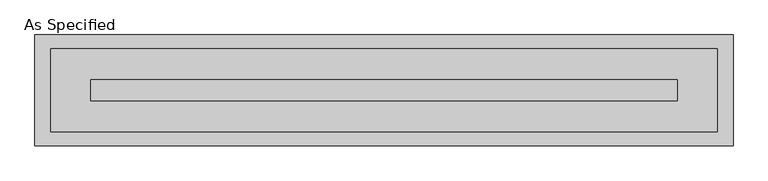
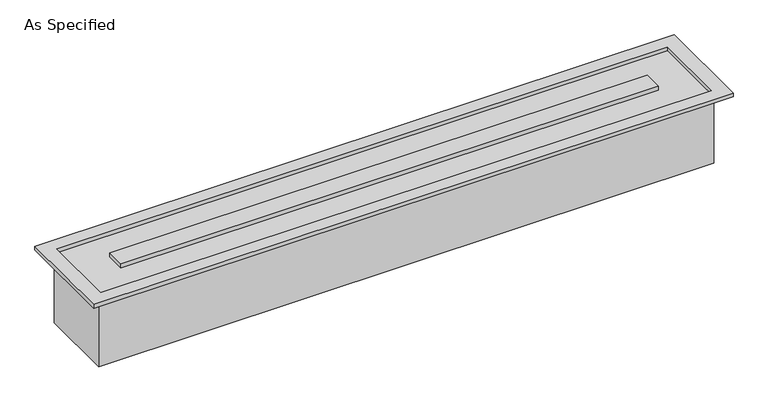
"""IFC4 building model written with IfcOpenShell, lengths in millimetres: proxy geometry, As Specified."""

import ifcopenshell
import ifcopenshell.guid

model = None  # the IFC model being written
_history = None  # IfcOwnerHistory: only IFC2X3 demands one
_inside = {}  # id of a spatial element -> (the spatial element, [elements in it])
_under = {}  # id of a project, library or spatial element -> (it, [spatial elements below it])
_declared = {}  # id of a project -> (the project, [libraries it declares])
_typed = {}  # id of a type object -> (the type object, [elements of that type])
_made_of = {}  # id of a material, layer set ... -> (it, [elements and type objects made of it])


def new_model(schema):
    """Start an empty IFC model of exactly this schema.

    Asked for "IFC4X3", IfcOpenShell would pick the latest addendum, in which some entities
    have other attributes; the version numbers below select the first issue.
    IFC2X3 requires an IfcOwnerHistory on every rooted entity: one is made here for all.
    """
    global model, _history
    if schema == "IFC4X3":
        model = ifcopenshell.file(schema_version=(4, 3, 0, 0))
    else:
        model = ifcopenshell.file(schema=schema)
    _inside.clear()
    _under.clear()
    _declared.clear()
    _typed.clear()
    _made_of.clear()
    _history = None
    if model.schema == "IFC2X3":
        org = make("IfcOrganization", Name="unknown")
        user = make(
            "IfcPersonAndOrganization",
            ThePerson=make("IfcPerson", FamilyName="unknown"),
            TheOrganization=org,
        )
        app = make(
            "IfcApplication",
            ApplicationDeveloper=org,
            Version="unknown",
            ApplicationFullName="unknown",
            ApplicationIdentifier="unknown",
        )
        _history = make(
            "IfcOwnerHistory",
            OwningUser=user,
            OwningApplication=app,
            ChangeAction="ADDED",
            CreationDate=0,
        )
    return model


def make(cls, **values):
    """One entity of the class cls with the attributes given. An attribute that is None is left unset."""
    return model.create_entity(
        cls, **{name: value for name, value in values.items() if value is not None}
    )


def rooted(cls, **values):
    """An entity with a GlobalId (a new one), such as an element, a storey or a relation."""
    return make(cls, GlobalId=ifcopenshell.guid.new(), OwnerHistory=_history, **values)


def si_unit(unit_type, name, prefix=None):
    """IfcSIUnit, for example si_unit("LENGTHUNIT", "METRE", prefix="MILLI")."""
    return make("IfcSIUnit", UnitType=unit_type, Prefix=prefix, Name=name)


def assignment(units):
    """IfcUnitAssignment: the units of a project."""
    return None if units is None else make("IfcUnitAssignment", Units=units)


def point(xyz):
    """IfcCartesianPoint."""
    return None if xyz is None else make("IfcCartesianPoint", Coordinates=xyz)


def direction(xyz):
    """IfcDirection."""
    return None if xyz is None else make("IfcDirection", DirectionRatios=xyz)


def frame(location, z_axis=None, x_axis=None):
    """IfcAxis2Placement3D, a coordinate frame: its origin and axes. An axis left out is left unset."""
    return make(
        "IfcAxis2Placement3D",
        Location=point(location),
        Axis=direction(z_axis),
        RefDirection=direction(x_axis),
    )


def origin():
    """The frame at (0, 0, 0) with its axes left unset."""
    return frame((0.0, 0.0, 0.0))


def place(relative_to, where):
    """IfcLocalPlacement: puts the frame where relative to a parent placement (None: the world)."""
    return make(
        "IfcLocalPlacement", PlacementRelTo=relative_to, RelativePlacement=where
    )


def context(
    kind, dimensions, precision=None, world=None, true_north=None, identifier=None
):
    """IfcGeometricRepresentationContext, for example the 3D "Model" context."""
    return make(
        "IfcGeometricRepresentationContext",
        ContextIdentifier=identifier,
        ContextType=kind,
        CoordinateSpaceDimension=dimensions,
        Precision=precision,
        WorldCoordinateSystem=world,
        TrueNorth=true_north,
    )


def project(units=None, contexts=None):
    """IfcProject with its units and contexts."""
    return rooted(
        "IfcProject",
        Name="project",
        RepresentationContexts=contexts,
        UnitsInContext=assignment(units),
    )


def spatial(cls, under=None, at=None, **own):
    """A site, building, storey or space (cls), placed at a placement, below another one or the project."""
    s = rooted(cls, ObjectPlacement=at, **own)
    if under is not None:
        _under.setdefault(under.id(), (under, []))[1].append(s)
    return s


def faces_of(points, faces, orient=None, outer=None):
    """IfcFace entities. A face is a list of loops; a loop is a list of indices into points, from 0.

    orient and outer hold one flag for each loop. By default every Orientation is true, the
    first loop of a face is its IfcFaceOuterBound and the others are IfcFaceBound.
    """
    made = []
    for i, loops in enumerate(faces):
        bounds = []
        for j, loop in enumerate(loops):
            is_outer = j == 0 if outer is None else outer[i][j]
            bounds.append(
                make(
                    "IfcFaceOuterBound" if is_outer else "IfcFaceBound",
                    Bound=make("IfcPolyLoop", Polygon=[points[k] for k in loop]),
                    Orientation=True if orient is None else orient[i][j],
                )
            )
        made.append(make("IfcFace", Bounds=bounds))
    return made


def faceted_brep(points, faces, orient=None, outer=None, voids=None):
    """IfcFacetedBrep: a solid bounded by flat faces; with voids (closed shells), ...WithVoids."""
    shared = [point(p) for p in points]
    hull = make("IfcClosedShell", CfsFaces=faces_of(shared, faces, orient, outer))
    if voids is None:
        return make("IfcFacetedBrep", Outer=hull)
    return make(
        "IfcFacetedBrepWithVoids",
        Outer=hull,
        Voids=[
            make(cls, CfsFaces=faces_of(shared, fs, o, b)) for cls, fs, o, b in voids
        ],
    )


def shape(context_of_items, identifier, shape_type, items):
    """IfcShapeRepresentation: the items that make up one representation, for example the "Body"."""
    return make(
        "IfcShapeRepresentation",
        ContextOfItems=context_of_items,
        RepresentationIdentifier=identifier,
        RepresentationType=shape_type,
        Items=items,
    )


def source(mapping_origin, context_of_items, identifier, shape_type, items):
    """IfcRepresentationMap: a shape defined once, which mapped items show again and again."""
    return make(
        "IfcRepresentationMap",
        MappingOrigin=mapping_origin,
        MappedRepresentation=shape(context_of_items, identifier, shape_type, items),
    )


def transform(
    local_origin,
    x_axis=None,
    y_axis=None,
    z_axis=None,
    scale=None,
    scale2=None,
    scale3=None,
    uniform=True,
):
    """IfcCartesianTransformationOperator3D, or its non-uniform kind. x_axis, y_axis, z_axis: its Axis1, 2, 3."""
    if uniform:
        return make(
            "IfcCartesianTransformationOperator3D",
            Axis1=direction(x_axis),
            Axis2=direction(y_axis),
            LocalOrigin=point(local_origin),
            Scale=scale,
            Axis3=direction(z_axis),
        )
    return make(
        "IfcCartesianTransformationOperator3DnonUniform",
        Axis1=direction(x_axis),
        Axis2=direction(y_axis),
        LocalOrigin=point(local_origin),
        Scale=scale,
        Axis3=direction(z_axis),
        Scale2=scale2,
        Scale3=scale3,
    )


def mapped(mapping_source, mapping_target):
    """IfcMappedItem: shows the shape of a source again, moved by a transform."""
    return make(
        "IfcMappedItem", MappingSource=mapping_source, MappingTarget=mapping_target
    )


def made_of(thing, what):
    """Note that an element or type object is made of a material, layer set ...; save() writes the relation."""
    if what is not None:
        _made_of.setdefault(what.id(), (what, []))[1].append(thing)
    return thing


def element(
    cls,
    number,
    at=None,
    inside=None,
    cuts=None,
    type_object=None,
    material=None,
    context=None,
    identifier="Body",
    shape_type=None,
    held_by="IfcProductDefinitionShape",
    body=None,
    shapes=None,
    **own,
):
    """One element of the class cls, such as IfcWall. Its Tag is "e" and its number.

    at: its placement. inside: the storey or other place that contains it. cuts: it is an
    opening in that element (IfcRelVoidsElement). A single representation is given by context,
    identifier, shape_type and body (its items); several are given by shapes. held_by: the class
    of the entity that holds the representations. save() writes the other relations.
    """
    e = rooted(cls, Tag="e%d" % number, ObjectPlacement=at, **own)
    if body is not None:
        shapes = [shape(context, identifier, shape_type, body)]
    if shapes is not None:
        e.Representation = make(held_by, Representations=shapes)
    if inside is not None:
        _inside.setdefault(inside.id(), (inside, []))[1].append(e)
    if cuts is not None:
        rooted(
            "IfcRelVoidsElement", RelatingBuildingElement=cuts, RelatedOpeningElement=e
        )
    if type_object is not None:
        _typed.setdefault(type_object.id(), (type_object, []))[1].append(e)
    return made_of(e, material)


def aggregate(whole, parts):
    """IfcRelAggregates: a whole, such as a stair, and the parts it consists of."""
    return rooted("IfcRelAggregates", RelatingObject=whole, RelatedObjects=parts)


def save(model, path):
    """Write the relations noted so far, then the file.

    IfcRelAggregates (storeys below a building ...), IfcRelContainedInSpatialStructure (elements
    in a storey), IfcRelDefinesByType, IfcRelAssociatesMaterial and IfcRelDeclares: one each for
    every whole, place, type object, material and project.
    """
    for whole, parts in _under.values():
        aggregate(whole, parts)
    for where, things in _inside.values():
        rooted(
            "IfcRelContainedInSpatialStructure",
            RelatedElements=things,
            RelatingStructure=where,
        )
    for kind, things in _typed.values():
        rooted("IfcRelDefinesByType", RelatedObjects=things, RelatingType=kind)
    for what, things in _made_of.values():
        rooted("IfcRelAssociatesMaterial", RelatedObjects=things, RelatingMaterial=what)
    for by, libraries in _declared.values():
        rooted("IfcRelDeclares", RelatingContext=by, RelatedDefinitions=libraries)
    model.write(path)


def as_specified_ca9847fa(model_context):
    return source(origin(), model_context, "Body", "Brep", [
        faceted_brep([(1220.7875, 152.4, -292.1), (1220.7875, -152.4, -292.1), (-1220.7875, -152.4, -292.1), (-1220.7875, 152.4, -292.1), (1212.8499926, -150.812509, 0.0), (1212.8499926, 150.8125043, 0.0), (-1212.8499937, 150.8125043, 0.0), (-1212.8499937, -150.812509, 0.0), (-1066.8000025, 38.0999981, 0.0), (1066.8000013, 38.0999981, 0.0), (1066.8000013, -38.1000028, 0.0), (-1066.8000025, -38.1000028, 0.0), (-1220.7875, 152.4, 0.0), (1220.7875, 152.4, 0.0), (-1220.7875, -152.4, 0.0), (1220.7875, -152.4, 0.0), (1270.0, 201.6125, 15.875), (-1270.0, 201.6125, 15.875), (-1270.0, -201.6125, 15.875), (1270.0, -201.6125, 15.875), (1212.8499926, 150.8125043, 15.875), (1212.8499926, -150.812509, 15.875), (-1212.8499937, -150.812509, 15.875), (-1212.8499937, 150.8125043, 15.875), (1066.8000013, 38.0999981, 15.875), (-1066.8000025, 38.0999981, 15.875), (-1066.8000025, -38.1000028, 15.875), (1066.8000013, -38.1000028, 15.875), (1270.0, 201.6125, 0.0), (1270.0, -201.6125, 0.0), (-1270.0, -201.6125, 0.0), (-1270.0, 201.6125, 0.0)], [[[0, 1, 2, 3]], [[4, 5, 6, 7], [8, 9, 10, 11]], [[0, 3, 12, 13]], [[3, 2, 14, 12]], [[2, 1, 15, 14]], [[1, 0, 13, 15]], [[16, 17, 18, 19], [20, 21, 22, 23]], [[24, 25, 26, 27]], [[28, 29, 30, 31], [13, 12, 14, 15]], [[17, 16, 28, 31]], [[18, 17, 31, 30]], [[19, 18, 30, 29]], [[16, 19, 29, 28]], [[21, 20, 5, 4]], [[22, 21, 4, 7]], [[23, 22, 7, 6]], [[20, 23, 6, 5]], [[25, 24, 9, 8]], [[26, 25, 8, 11]], [[27, 26, 11, 10]], [[24, 27, 10, 9]]]),
    ])


if __name__ == "__main__":
    model = new_model("IFC4")
    model_context = context("Model", 3, world=origin())
    ifc_project = project(units=[si_unit("LENGTHUNIT", "METRE", prefix="MILLI")], contexts=[model_context])
    site = spatial("IfcSite", under=ifc_project)
    building = spatial("IfcBuilding", under=site)
    placement = place(None, origin())
    as_specified_shape = as_specified_ca9847fa(model_context)
    element("IfcBuildingElementProxy", 1, Name="As Specified", ObjectType="As Specified", at=placement, inside=building, context=model_context, shape_type="MappedRepresentation", body=[
        mapped(as_specified_shape, transform((0.0, 0.0, 0.0), x_axis=(1.0, 0.0, 0.0), y_axis=(0.0, 1.0, 0.0), z_axis=(0.0, 0.0, 1.0))),
    ])
    save(model, "model.ifc")
